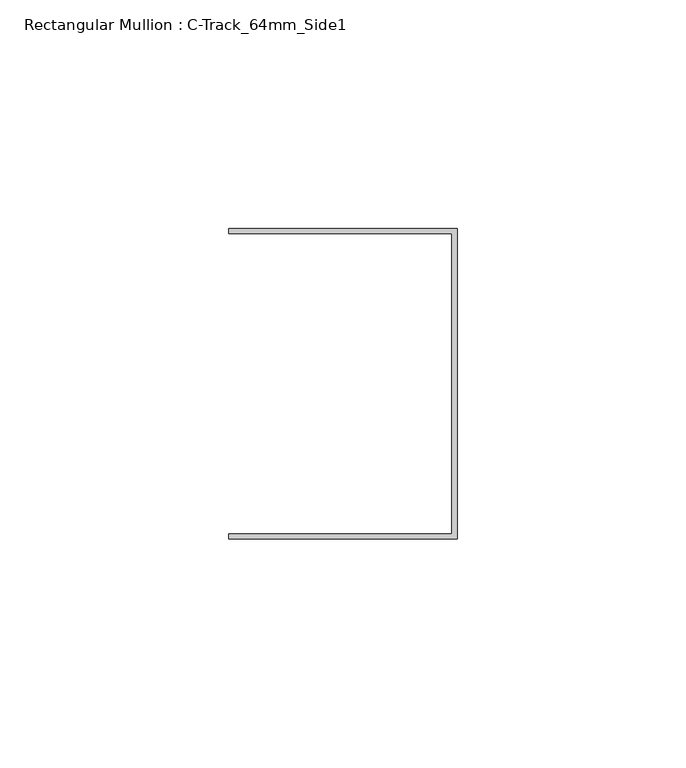
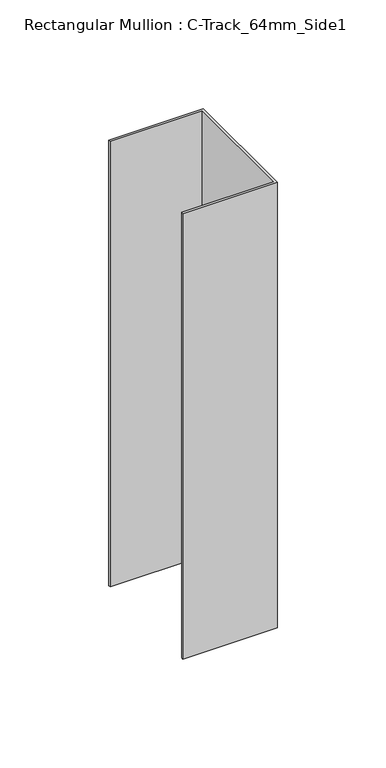
"""IFC4 building model written with IfcOpenShell, lengths in millimetres: member geometry, Rectangular Mullion : C-Track_64mm_Side1."""

from ifc_helpers import new_model, si_unit, frame, origin, place, context, project, spatial, polyline, outline, extrude, source, transform, mapped, element, save


def rectangular_mullion_c_track_64mm_side1_89a89b5c(model_context):
    return source(origin(), model_context, "Body", "SweptSolid", [
        extrude(outline(polyline([(-1.15, 32.85), (-50.0, 32.85), (-50.0, 34.0), (0.0, 34.0), (0.0, -34.0), (-50.0, -34.0), (-50.0, -32.85), (-1.15, -32.85), (-1.15, 32.85)])), frame((0.0, 0.0, -250.0000003), z_axis=(0.0, 0.0, 1.0), x_axis=(1.0, 0.0, 0.0)), (0.0, 0.0, 1.0), 250.0000003),
    ])


if __name__ == "__main__":
    model = new_model("IFC4")
    model_context = context("Model", 3, world=origin())
    ifc_project = project(units=[si_unit("LENGTHUNIT", "METRE", prefix="MILLI")], contexts=[model_context])
    site = spatial("IfcSite", under=ifc_project)
    building = spatial("IfcBuilding", under=site)
    placement = place(None, origin())
    rectangular_mullion_c_track_64mm_side1_shape = rectangular_mullion_c_track_64mm_side1_89a89b5c(model_context)
    element("IfcMember", 1, ObjectType="Rectangular Mullion : C-Track_64mm_Side1", at=placement, inside=building, context=model_context, shape_type="MappedRepresentation", body=[
        mapped(rectangular_mullion_c_track_64mm_side1_shape, transform((0.0, 0.0, 0.0), x_axis=(1.0, 0.0, 0.0), y_axis=(0.0, 1.0, 0.0), z_axis=(0.0, 0.0, 1.0))),
    ])
    save(model, "model.ifc")
